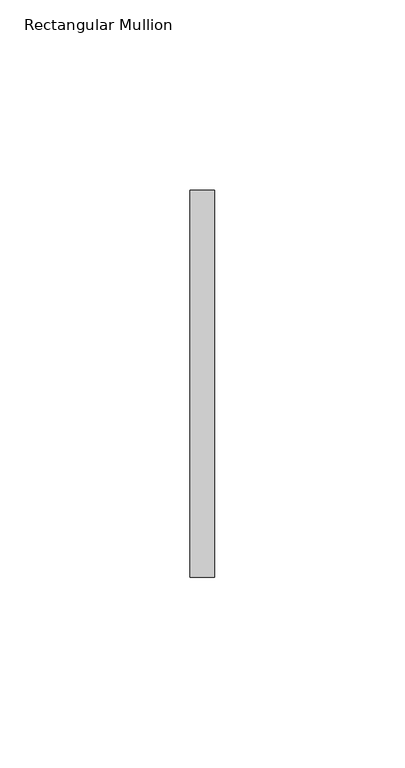
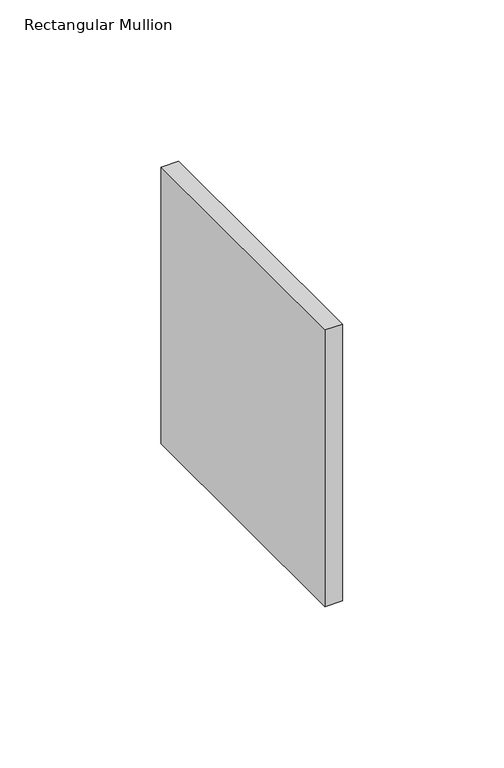
"""IFC4 building model written with IfcOpenShell, lengths in millimetres: member geometry, Rectangular Mullion."""

from ifc_helpers import new_model, si_unit, frame, origin, place, context, project, spatial, polyline, outline, extrude, source, transform, mapped, element, save


def rectangular_mullion_4ba110e9(model_context):
    return source(origin(), model_context, "Body", "SweptSolid", [
        extrude(outline(polyline([(0.0, 50.8), (0.0, -50.8), (-6.35, -50.8), (-6.35, 50.8), (0.0, 50.8)])), frame((0.0, 0.0, -104.8009535), z_axis=(0.0, 0.0, 1.0), x_axis=(1.0, 0.0, 0.0)), (0.0, 0.0, 1.0), 104.8009535),
    ])


if __name__ == "__main__":
    model = new_model("IFC4")
    model_context = context("Model", 3, world=origin())
    ifc_project = project(units=[si_unit("LENGTHUNIT", "METRE", prefix="MILLI")], contexts=[model_context])
    site = spatial("IfcSite", under=ifc_project)
    building = spatial("IfcBuilding", under=site)
    placement = place(None, origin())
    rectangular_mullion_shape = rectangular_mullion_4ba110e9(model_context)
    element("IfcMember", 1, ObjectType="Rectangular Mullion", at=placement, inside=building, context=model_context, shape_type="MappedRepresentation", body=[
        mapped(rectangular_mullion_shape, transform((0.0, 0.0, 0.0), x_axis=(1.0, 0.0, 0.0), y_axis=(0.0, 1.0, 0.0), z_axis=(0.0, 0.0, 1.0))),
    ])
    save(model, "model.ifc")
